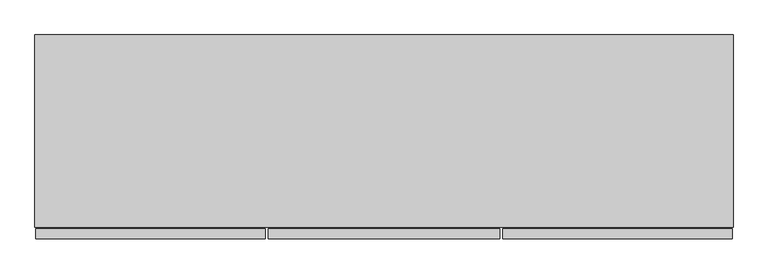
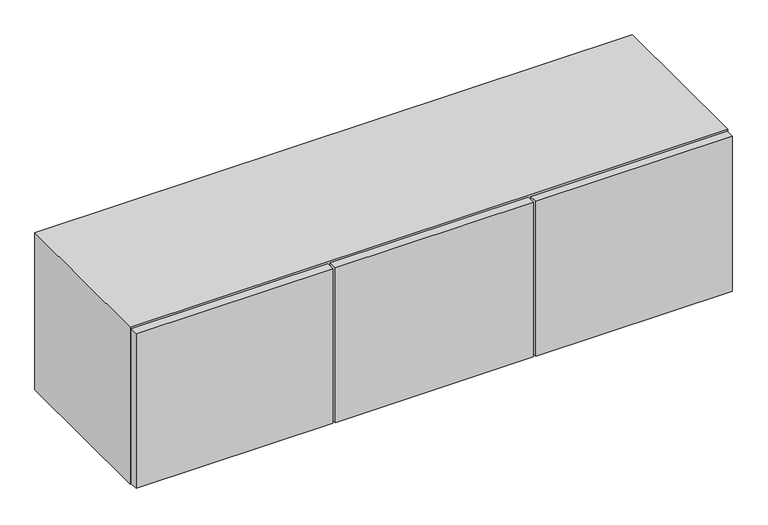
"""IFC4 building model written with IfcOpenShell, lengths in millimetres: furniture geometry."""

from ifc_helpers import new_model, si_unit, frame, origin, place, context, project, spatial, polyline, outline, extrude, faceted_brep, source, transform, mapped, element, save


def furniture_8701c8f0(model_context):
    return source(origin(), model_context, "Body", "SolidModel", [
        extrude(outline(polyline([(912.3050736, -380.3650097), (912.3050736, -400.05), (458.2792365, -400.05), (458.2792365, -380.3650097), (912.3050736, -380.3650097)])), frame((0.0, 0.0, 637.9972008), z_axis=(0.0, 0.0, 1.0), x_axis=(1.0, 0.0, 0.0)), (0.0, 0.0, 1.0), 375.0055984),
        extrude(outline(polyline([(452.5136736, -380.3650097), (452.5136736, -400.05), (1.5010712, -400.05), (1.5010712, -380.3650097), (452.5136736, -380.3650097)])), frame((0.0, 0.0, 637.9972008), z_axis=(0.0, 0.0, 1.0), x_axis=(1.0, 0.0, 0.0)), (0.0, 0.0, 1.0), 375.0055984),
        extrude(outline(polyline([(1369.06, -380.3650097), (1369.06, -400.05), (918.1336868, -400.05), (918.1336868, -380.3650097), (1369.06, -380.3650097)])), frame((0.0, 0.0, 637.9972008), z_axis=(0.0, 0.0, 1.0), x_axis=(1.0, 0.0, 0.0)), (0.0, 0.0, 1.0), 375.0055984),
        faceted_brep([(446.6084682, -377.8757721, 655.1676643), (446.6084682, -377.8757721, 995.8323357), (446.6084682, -20.1675917, 995.8323357), (446.6084682, -20.1675917, 655.1676643), (0.0, -377.8757721, 1016.0), (0.0, -377.8757721, 635.0), (1370.584, -377.8757721, 635.0), (1370.584, -377.8757721, 1016.0), (20.1673737, -377.8757721, 655.1676643), (20.1673737, -377.8757721, 995.8323357), (466.7755318, -377.8757721, 655.1676643), (466.7755318, -377.8757721, 995.8323357), (903.8083132, -377.8757721, 995.8323357), (903.8083132, -377.8757721, 655.1676643), (1350.4166263, -377.8757721, 995.8323357), (1350.4166263, -377.8757721, 655.1676643), (923.9756868, -377.8757721, 655.1676643), (923.9756868, -377.8757721, 995.8323357), (466.7755318, -20.1675917, 655.1676643), (466.7755318, -20.1675917, 995.8323357), (20.1673737, -20.1675917, 655.1676643), (903.8083132, -20.1675917, 655.1676643), (1350.4166263, -20.1675917, 655.1676643), (923.9756868, -20.1675917, 655.1676643), (0.0, 0.0, 635.0), (1370.584, 0.0, 635.0), (0.0, 0.0, 1016.0), (1370.584, 0.0, 1016.0), (20.1673737, -20.1675917, 995.8323357), (903.8083132, -20.1675917, 995.8323357), (1350.4166263, -20.1675917, 995.8323357), (923.9756868, -20.1675917, 995.8323357)], [[[0, 1, 2, 3]], [[4, 5, 6, 7], [1, 0, 8, 9], [10, 11, 12, 13], [14, 15, 16, 17]], [[11, 10, 18, 19]], [[8, 0, 3, 20]], [[18, 10, 13, 21]], [[15, 22, 23, 16]], [[24, 25, 6, 5]], [[26, 4, 7, 27]], [[4, 26, 24, 5]], [[8, 20, 28, 9]], [[3, 2, 28, 20]], [[19, 18, 21, 29]], [[22, 30, 31, 23]], [[22, 15, 14, 30]], [[27, 7, 6, 25]], [[26, 27, 25, 24]], [[1, 9, 28, 2]], [[11, 19, 29, 12]], [[30, 14, 17, 31]], [[13, 12, 29, 21]], [[17, 16, 23, 31]]]),
    ])


if __name__ == "__main__":
    model = new_model("IFC4")
    model_context = context("Model", 3, world=origin())
    ifc_project = project(units=[si_unit("LENGTHUNIT", "METRE", prefix="MILLI")], contexts=[model_context])
    site = spatial("IfcSite", under=ifc_project)
    building = spatial("IfcBuilding", under=site)
    placement = place(None, origin())
    furniture_shape = furniture_8701c8f0(model_context)
    element("IfcFurniture", 1, at=placement, inside=building, context=model_context, shape_type="MappedRepresentation", body=[
        mapped(furniture_shape, transform((0.0, 0.0, 0.0), x_axis=(1.0, 0.0, 0.0), y_axis=(0.0, 1.0, 0.0), z_axis=(0.0, 0.0, 1.0))),
    ])
    save(model, "model.ifc")
